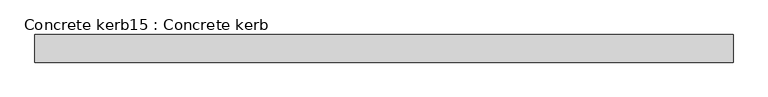
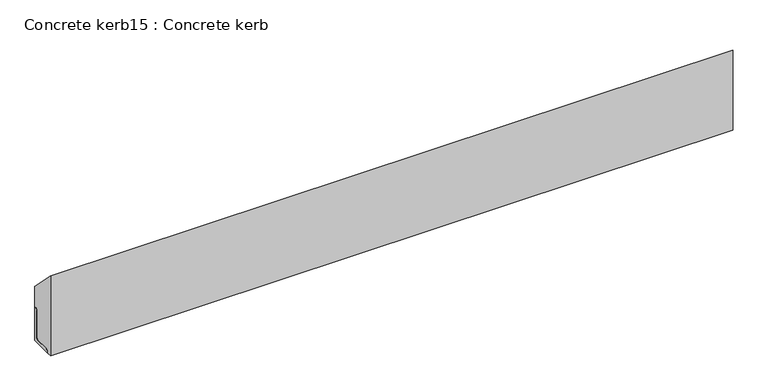
"""IFC4 building model written with IfcOpenShell, lengths in millimetres: proxy geometry, Concrete kerb15 : Concrete kerb."""

from ifc_helpers import new_model, si_unit, point, frame, frame_2d, origin, place, context, project, spatial, polyline, circle_curve, trimmed, segment, composite_curve, outline, extrude, source, transform, mapped, element, save


def concrete_kerb15_concrete_kerb_a847bb51(model_context):
    return source(origin(), model_context, "Body", "SweptSolid", [
        extrude(outline(composite_curve([segment(polyline([(-21522.3538594, 400.0), (-21522.3538594, 275.0), (-21597.3538594, 275.0), (-21597.3538594, 279.0770366)]), True, "CONTINUOUS"), segment(trimmed(circle_curve(frame_2d((-21587.9282079, 277.4399527)), 9.5667628), [point((-21597.3538594, 279.0770366))], [point((-21588.2866013, 287.0))], False, "CARTESIAN"), True, "CONTINUOUS"), segment(polyline([(-21588.2866013, 287.0), (-21540.9151493, 287.0)]), True, "CONTINUOUS"), segment(trimmed(circle_curve(frame_2d((-21540.9151493, 293.5612899)), 6.5612899), [point((-21540.9151493, 287.0))], [point((-21534.3538594, 293.5612899))], True, "CARTESIAN"), True, "CONTINUOUS"), segment(polyline([(-21534.3538594, 293.5612899), (-21534.3538594, 391.355096)]), True, "CONTINUOUS"), segment(trimmed(circle_curve(frame_2d((-21525.7089554, 391.355096)), 8.644904), [point((-21534.3538594, 391.355096))], [point((-21525.7089554, 400.0))], False, "CARTESIAN"), True, "CONTINUOUS"), segment(polyline([(-21525.7089554, 400.0), (-21522.3538594, 400.0)]), True, "CONTINUOUS")], self_intersect=False)), frame((9564.6309284, 0.0, 0.0), z_axis=(1.0, 0.0, 0.0), x_axis=(0.0, 1.0, 0.0)), (0.0, 0.0, 1.0), 2400.0),
        extrude(outline(composite_curve([segment(polyline([(-21617.3538594, 572.0), (-21522.3538594, 477.0), (-21522.3538594, 400.0), (-21525.7089554, 400.0)]), True, "CONTINUOUS"), segment(trimmed(circle_curve(frame_2d((-21525.7089554, 391.355096)), 8.644904), [point((-21525.7089554, 400.0))], [point((-21534.3538594, 391.355096))], True, "CARTESIAN"), True, "CONTINUOUS"), segment(polyline([(-21534.3538594, 391.355096), (-21534.3538594, 293.5612899)]), True, "CONTINUOUS"), segment(trimmed(circle_curve(frame_2d((-21540.9151493, 293.5612899)), 6.5612899), [point((-21534.3538594, 293.5612899))], [point((-21540.9151493, 287.0))], False, "CARTESIAN"), True, "CONTINUOUS"), segment(polyline([(-21540.9151493, 287.0), (-21588.2866013, 287.0)]), True, "CONTINUOUS"), segment(trimmed(circle_curve(frame_2d((-21588.2866013, 277.8501081)), 9.1498919), [point((-21588.2866013, 287.0))], [point((-21597.3538594, 279.0770366))], True, "CARTESIAN"), True, "CONTINUOUS"), segment(polyline([(-21597.3538594, 279.0770366), (-21597.3538594, 275.0), (-21617.3538594, 275.0), (-21617.3538594, 572.0)]), True, "CONTINUOUS")], self_intersect=False)), frame((9564.6309284, 0.0, 0.0), z_axis=(1.0, 0.0, 0.0), x_axis=(0.0, 1.0, 0.0)), (0.0, 0.0, 1.0), 2400.0),
    ])


if __name__ == "__main__":
    model = new_model("IFC4")
    model_context = context("Model", 3, world=origin())
    ifc_project = project(units=[si_unit("LENGTHUNIT", "METRE", prefix="MILLI")], contexts=[model_context])
    site = spatial("IfcSite", under=ifc_project)
    building = spatial("IfcBuilding", under=site)
    placement = place(None, origin())
    concrete_kerb15_concrete_kerb_shape = concrete_kerb15_concrete_kerb_a847bb51(model_context)
    element("IfcBuildingElementProxy", 1, Name="Concrete kerb15 : Concrete kerb", ObjectType="Concrete kerb15 : Concrete kerb", at=placement, inside=building, context=model_context, shape_type="MappedRepresentation", body=[
        mapped(concrete_kerb15_concrete_kerb_shape, transform((0.0, 0.0, 0.0), x_axis=(1.0, 0.0, 0.0), y_axis=(0.0, 1.0, 0.0), z_axis=(0.0, 0.0, 1.0))),
    ])
    save(model, "model.ifc")
